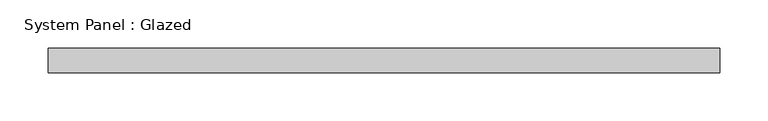
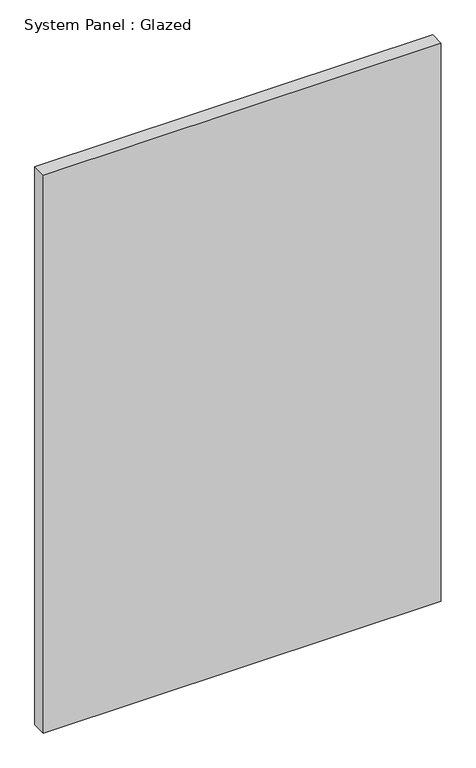
"""IFC4 building model written with IfcOpenShell, lengths in millimetres: plate geometry, System Panel : Glazed."""

from ifc_helpers import new_model, si_unit, origin, origin_with_axes, place, context, project, spatial, polyline, outline, extrude, source, transform, mapped, element, save


def system_panel_glazed_53b4157c(model_context):
    return source(origin(), model_context, "Body", "SweptSolid", [
        extrude(outline(polyline([(349.25, 19.05), (-349.25, 19.05), (-349.25, 44.45), (349.25, 44.45), (349.25, 19.05)])), origin_with_axes(), (0.0, 0.0, 1.0), 1035.05),
    ])


if __name__ == "__main__":
    model = new_model("IFC4")
    model_context = context("Model", 3, world=origin())
    ifc_project = project(units=[si_unit("LENGTHUNIT", "METRE", prefix="MILLI")], contexts=[model_context])
    site = spatial("IfcSite", under=ifc_project)
    building = spatial("IfcBuilding", under=site)
    placement = place(None, origin())
    system_panel_glazed_shape = system_panel_glazed_53b4157c(model_context)
    element("IfcPlate", 1, ObjectType="System Panel : Glazed", at=placement, inside=building, context=model_context, shape_type="MappedRepresentation", body=[
        mapped(system_panel_glazed_shape, transform((0.0, 0.0, 0.0), x_axis=(1.0, 0.0, 0.0), y_axis=(0.0, 1.0, 0.0), z_axis=(0.0, 0.0, 1.0))),
    ])
    save(model, "model.ifc")
